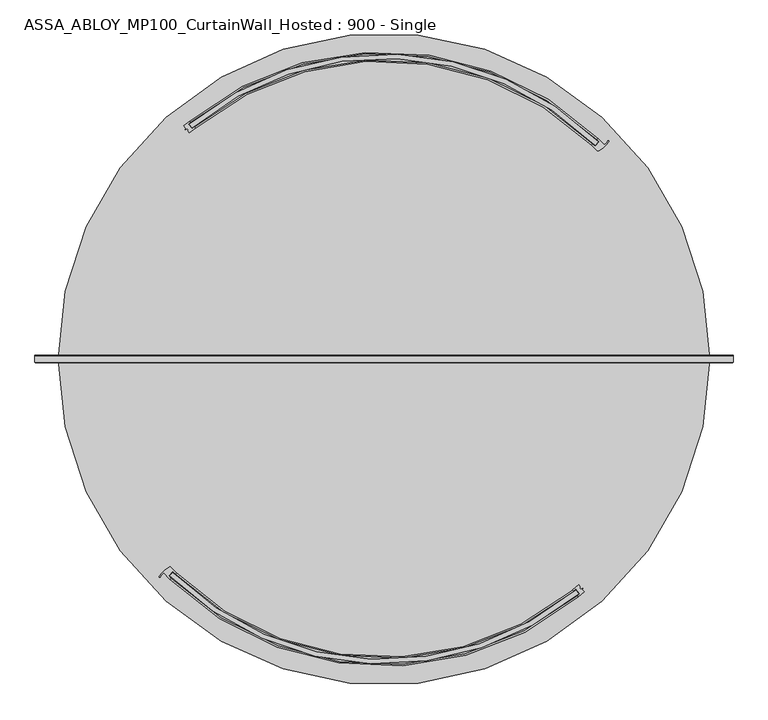
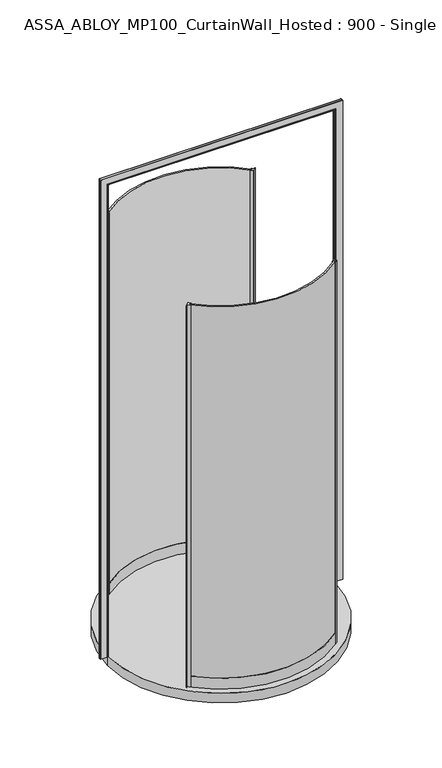
"""IFC4 building model written with IfcOpenShell, lengths in millimetres: plate geometry, ASSA_ABLOY_MP100_CurtainWall_Hosted : 900 - Single."""

from ifc_helpers import new_model, si_unit, point, frame, origin, origin_with_axes, origin_2d, place, context, project, spatial, polyline, circle_curve, ellipse_curve, trimmed, segment, composite_curve, outline, extrude, source, transform, mapped, element, save
from ifc_brep_helpers import plane_surface, cylinder_surface, revolved_surface, advanced_brep


def assa_abloy_mp100_curtainwall_hosted_900_single_26f36824(model_context):
    return source(origin(), model_context, "Body", "SolidModel", [
        extrude(outline(composite_curve([segment(trimmed(circle_curve(origin_2d(), 671.0), [point((-471.5418534, -477.3775031))], [point((428.3686486, -516.4700387))], True, "CARTESIAN"), True, "CONTINUOUS"), segment(polyline([(428.3686486, -516.4700387), (434.6971588, -524.2131056)]), True, "CONTINUOUS"), segment(trimmed(circle_curve(origin_2d(), 681.0), [point((434.6971588, -524.2131056))], [point((-478.5162849, -484.544286))], False, "CARTESIAN"), True, "CONTINUOUS"), segment(polyline([(-478.5162849, -484.544286), (-471.5418534, -477.3775031)]), True, "CONTINUOUS")], self_intersect=False)), origin_with_axes(), (0.0, 0.0, 1.0), 2600.0),
        extrude(outline(composite_curve([segment(polyline([(434.4935229, -504.7488272), (438.8082177, -510.0279483), (436.8725006, -511.6100353), (439.0874224, -514.3200393), (443.5990465, -512.2867933), (444.3004039, -513.1449189), (442.9171599, -515.0553265), (447.1542237, -520.2394643)]), True, "CONTINUOUS"), segment(trimmed(circle_curve(origin_2d(), 686.0), [point((447.1542237, -520.2394643))], [point((434.124669, -531.1607777))], False, "CARTESIAN"), True, "CONTINUOUS"), segment(polyline([(434.124669, -531.1607777), (432.2261646, -528.8379172)]), True, "CONTINUOUS"), segment(trimmed(circle_curve(origin_2d(), 683.0), [point((432.2261646, -528.8379172))], [point((437.6234714, -524.3802983))], True, "CARTESIAN"), True, "CONTINUOUS"), segment(polyline([(437.6234714, -524.3802983), (428.7633092, -513.5397012)]), True, "CONTINUOUS"), segment(trimmed(circle_curve(origin_2d(), 669.0), [point((428.7633092, -513.5397012))], [point((423.2578051, -518.0867016))], False, "CARTESIAN"), True, "CONTINUOUS"), segment(polyline([(423.2578051, -518.0867016), (421.4679731, -515.6750408)]), True, "CONTINUOUS"), segment(trimmed(circle_curve(origin_2d(), 666.0), [point((421.4679731, -515.6750408))], [point((434.4935229, -504.7488272))], True, "CARTESIAN"), True, "CONTINUOUS")], self_intersect=False)), origin_with_axes(), (0.0, 0.0, 1.0), 2600.0),
        advanced_brep(
        [(-471.5530855, -474.5488522, 0.0), (-481.2544185, -484.6448252, 0.0), (-476.2430103, -489.5324103, 0.0), (-478.3216313, -491.6955874, 0.0), (-492.1678743, -477.8294246, 0.0), (-499.3328125, -486.5213725, 0.0), (-501.9043625, -485.2054148, 0.0), (-480.0372297, -464.9193186, 0.0), (-476.3552254, -465.4179454, 0.0), (-464.4641583, -477.274407, 0.0), (-466.5427792, -479.4375841, 0.0), (-471.5530855, -474.5488522, 2600.0), (-466.5427792, -479.4375841, 2600.0), (-464.4641583, -477.274407, 2600.0), (-476.3552254, -465.4179454, 2600.0), (-480.0372297, -464.9193186, 2600.0), (-501.9043625, -485.2054148, 2600.0), (-499.3466185, -486.5141589, 2600.0), (-492.1678743, -477.8294246, 2600.0), (-478.3216313, -491.6955874, 2600.0), (-476.2430103, -489.5324103, 2600.0), (-481.2544185, -484.6448252, 2600.0)],
        [
            (0, 1),
            (1, 2, circle_curve(frame((-149.5530842, -149.5530842, 0.0), z_axis=(0.0, 0.0, 1.0), x_axis=(-0.7071067811865531, 0.7071067811865418, 0.0)), 471.5)),
            (2, 3),
            (3, 4, circle_curve(frame((-149.5530842, -149.5530842, 0.0), z_axis=(0.0, 0.0, -1.0), x_axis=(-0.7071067811865531, 0.7071067811865418, 0.0)), 474.5)),
            (4, 5, circle_curve(frame((-475.1496567, -499.1569371, 0.0), z_axis=(0.0, 0.0, 1.0), x_axis=(-0.7071067811865531, 0.7071067811865418, 0.0)), 27.285207)),
            (5, 6, circle_curve(frame((-500.6199062, -485.8488732, 0.0), z_axis=(0.0, 0.0, -1.0), x_axis=(-0.7071067811865531, 0.7071067811865418, 0.0)), 1.4366164)),
            (6, 7, circle_curve(frame((-444.4563576, -525.2019988, 0.0), z_axis=(0.0, 0.0, -1.0), x_axis=(-0.7071067811865531, 0.7071067811865418, 0.0)), 70.0)),
            (7, 8, circle_curve(frame((-478.5123352, -467.502862, 0.0), z_axis=(0.0, 0.0, -1.0), x_axis=(-0.7071067811865531, 0.7071067811865418, 0.0)), 3.0)),
            (8, 9, circle_curve(frame((-149.5530842, -149.5530842, 0.0), z_axis=(0.0, 0.0, 1.0), x_axis=(-0.7071067811865531, 0.7071067811865418, 0.0)), 454.5)),
            (9, 10),
            (10, 0, circle_curve(frame((-149.5530842, -149.5530842, 0.0), z_axis=(0.0, 0.0, -1.0), x_axis=(-0.7071067811865531, 0.7071067811865418, 0.0)), 457.5)),
            (11, 12, circle_curve(frame((-149.5530842, -149.5530842, 2600.0), z_axis=(0.0, 0.0, 1.0), x_axis=(-0.7071067811865531, 0.7071067811865418, 0.0)), 457.5)),
            (12, 13),
            (13, 14, circle_curve(frame((-149.5530842, -149.5530842, 2600.0), z_axis=(0.0, 0.0, -1.0), x_axis=(-0.7071067811865531, 0.7071067811865418, 0.0)), 454.5)),
            (14, 15, circle_curve(frame((-478.5123352, -467.502862, 2600.0), z_axis=(0.0, 0.0, 1.0), x_axis=(-0.7071067811865531, 0.7071067811865418, 0.0)), 3.0)),
            (15, 16, circle_curve(frame((-444.4563576, -525.2019988, 2600.0), z_axis=(0.0, 0.0, 1.0), x_axis=(-0.7071067811865531, 0.7071067811865418, 0.0)), 70.0)),
            (16, 17, circle_curve(frame((-500.6199062, -485.8488732, 2600.0), z_axis=(0.0, 0.0, 1.0), x_axis=(-0.7071067811865531, 0.7071067811865418, 0.0)), 1.4366164)),
            (17, 18, circle_curve(frame((-475.1496567, -499.1569371, 2600.0), z_axis=(0.0, 0.0, -1.0), x_axis=(-0.7071067811865531, 0.7071067811865418, 0.0)), 27.285207)),
            (18, 19, circle_curve(frame((-149.5530842, -149.5530842, 2600.0), z_axis=(0.0, 0.0, 1.0), x_axis=(-0.7071067811865531, 0.7071067811865418, 0.0)), 474.5)),
            (19, 20),
            (20, 21, circle_curve(frame((-149.5530842, -149.5530842, 2600.0), z_axis=(0.0, 0.0, -1.0), x_axis=(-0.7071067811865531, 0.7071067811865418, 0.0)), 471.5)),
            (21, 11),
            (0, 11),
            (21, 1),
            (20, 2),
            (19, 3),
            (18, 4),
            (8, 14),
            (13, 9),
            (12, 10),
            (17, 5),
            (16, 6),
            (15, 7),
        ],
        [
            plane_surface(frame((-470.9331163, -470.9331163, 0.0), z_axis=(0.0, 0.0, -1.0000000000000002), x_axis=(-0.7071067811865419, -0.7071067811865532, 0.0))),
            plane_surface(frame((-470.9331163, -470.9331163, 2600.0), z_axis=(0.0, 0.0, 1.0000000000000002), x_axis=(-0.7071067811865419, -0.7071067811865532, 0.0))),
            plane_surface(frame((-471.5530855, -474.5488522, 0.0), z_axis=(0.7210590160944299, -0.692873650320845, 0.0), x_axis=(0.0, 0.0, 1.0))),
            revolved_surface(polyline([(-482.9539315294598, 183.84776312945445, 2600.0), (-482.9539315294598, 183.84776312945445, 0.0)]), (-149.5530842, -149.5530842, 0.0), (0.0, 0.0, 1.0)),
            plane_surface(frame((-476.2430103, -489.5324103, 0.0), z_axis=(0.7210590160945624, -0.6928736503207072, 0.0), x_axis=(0.0, 0.0, 1.0))),
            cylinder_surface(frame((-149.5530842, -149.5530842, 0.0), z_axis=(0.0, 0.0, -1.0), x_axis=(-0.7071067811865531, 0.7071067811865418, 0.0)), 474.5),
            revolved_surface(polyline([(-470.9331162492884, 171.82694784928327, 2600.0), (-470.9331162492884, 171.82694784928327, 0.0)]), (-149.5530842, -149.5530842, 0.0), (0.0, 0.0, 1.0)),
            plane_surface(frame((-464.4641583, -477.274407, 0.0), z_axis=(0.7210590160946411, -0.6928736503206254, 0.0), x_axis=(0.0, 0.0, 1.0))),
            cylinder_surface(frame((-149.5530842, -149.5530842, 0.0), z_axis=(0.0, 0.0, -1.0), x_axis=(-0.7071067811865531, 0.7071067811865418, 0.0)), 457.5),
            revolved_surface(polyline([(-494.4432115957788, -479.86338220422147, 2600.0), (-494.4432115957788, -479.86338220422147, 0.0)]), (-475.1496567, -499.1569371, 0.0), (0.0, 0.0, 1.0)),
            cylinder_surface(frame((-500.6199062, -485.8488732, 0.0), z_axis=(0.0, 0.0, -1.0), x_axis=(-0.7071067811865531, 0.7071067811865418, 0.0)), 1.4366164),
            cylinder_surface(frame((-444.4563576, -525.2019988, 0.0), z_axis=(0.0, 0.0, -1.0), x_axis=(-0.7071067811865531, 0.7071067811865418, 0.0)), 70.0),
            cylinder_surface(frame((-478.5123352, -467.502862, 0.0), z_axis=(0.0, 0.0, -1.0), x_axis=(-0.7071067811865531, 0.7071067811865418, 0.0)), 3.0),
        ],
        [
            (0, [[1, 2, 3, 4, 5, 6, 7, 8, 9, 10, 11]]),
            (1, [[12, 13, 14, 15, 16, 17, 18, 19, 20, 21, 22]]),
            (2, [[-1, 23, -22, 24]]),
            (3, [[-2, -24, -21, 25]]),
            (4, [[-3, -25, -20, 26]]),
            (5, [[-4, -26, -19, 27]]),
            (6, [[-9, 28, -14, 29]]),
            (7, [[-10, -29, -13, 30]]),
            (8, [[-11, -30, -12, -23]]),
            (9, [[-5, -27, -18, 31]]),
            (10, [[-6, -31, -17, 32]]),
            (11, [[-7, -32, -16, 33]]),
            (12, [[-8, -33, -15, -28]]),
        ],
    ),
        advanced_brep(
        [(-464.4844321, -477.2946808, 73.0), (-464.4844321, -477.2946808, 0.0), (-466.5767043, -479.4446569, 0.0), (-466.5767043, -479.4446569, 24.0), (-476.3406413, -489.4778784, 24.0), (-476.3406413, -489.4778784, 0.0), (-478.4329135, -491.6278544, 0.0), (-478.4329135, -491.6278544, 73.0), (-476.3406413, -489.4778784, 73.0), (-476.3406413, -489.4778784, 39.0), (-466.5767043, -479.4446569, 39.0), (-466.5767043, -479.4446569, 73.0), (421.4679731, -515.6750408, 73.0), (423.3664774, -517.9979013, 73.0), (423.3664774, -517.9979013, 39.0), (432.2261646, -528.8379172, 39.0), (432.2261646, -528.8379172, 73.0), (434.124669, -531.1607777, 73.0), (434.124669, -531.1607777, 0.0), (432.2261646, -528.8379172, 0.0), (432.2261646, -528.8379172, 24.0), (423.3664774, -517.9979013, 24.0), (423.3664774, -517.9979013, 0.0), (421.4679731, -515.6750408, 0.0)],
        [
            (0, 1),
            (1, 2),
            (2, 3),
            (3, 4),
            (4, 5),
            (5, 6),
            (6, 7),
            (7, 8),
            (8, 9),
            (9, 10),
            (10, 11),
            (11, 0),
            (12, 13),
            (13, 14),
            (14, 15),
            (15, 16),
            (16, 17),
            (17, 18),
            (18, 19),
            (19, 20),
            (20, 21),
            (21, 22),
            (22, 23),
            (23, 12),
            (23, 1, circle_curve(frame((0.0, 0.0, 0.0), z_axis=(0.0, 0.0, -1.0), x_axis=(-0.6974240722019793, -0.7166586799259523, 0.0)), 666.0)),
            (0, 12, circle_curve(frame((0.0, 0.0, 73.0), z_axis=(0.0, 0.0, 1.0), x_axis=(-0.6974240722019793, -0.7166586799259523, 0.0)), 666.0)),
            (22, 2, circle_curve(frame((0.0, 0.0, 0.0), z_axis=(0.0, 0.0, -1.0), x_axis=(-0.6974240722019793, -0.7166586799259523, 0.0)), 669.0)),
            (21, 3, circle_curve(frame((0.0, 0.0, 24.0), z_axis=(0.0, 0.0, -1.0), x_axis=(-0.6974240722019793, -0.7166586799259523, 0.0)), 669.0)),
            (20, 4, circle_curve(frame((0.0, 0.0, 24.0), z_axis=(0.0, 0.0, -1.0), x_axis=(-0.6974240722019793, -0.7166586799259523, 0.0)), 683.0)),
            (19, 5, circle_curve(frame((0.0, 0.0, 0.0), z_axis=(0.0, 0.0, -1.0), x_axis=(-0.6974240722019793, -0.7166586799259523, 0.0)), 683.0)),
            (18, 6, circle_curve(frame((0.0, 0.0, 0.0), z_axis=(0.0, 0.0, -1.0), x_axis=(-0.6974240722019793, -0.7166586799259523, 0.0)), 686.0)),
            (17, 7, circle_curve(frame((0.0, 0.0, 73.0), z_axis=(0.0, 0.0, -1.0), x_axis=(-0.6974240722019793, -0.7166586799259523, 0.0)), 686.0)),
            (16, 8, circle_curve(frame((0.0, 0.0, 73.0), z_axis=(0.0, 0.0, -1.0), x_axis=(-0.6974240722019793, -0.7166586799259523, 0.0)), 683.0)),
            (15, 9, circle_curve(frame((0.0, 0.0, 39.0), z_axis=(0.0, 0.0, -1.0), x_axis=(-0.6974240722019793, -0.7166586799259523, 0.0)), 683.0)),
            (14, 10, circle_curve(frame((0.0, 0.0, 39.0), z_axis=(0.0, 0.0, -1.0), x_axis=(-0.6974240722019793, -0.7166586799259523, 0.0)), 669.0)),
            (13, 11, circle_curve(frame((0.0, 0.0, 73.0), z_axis=(0.0, 0.0, -1.0), x_axis=(-0.6974240722019793, -0.7166586799259523, 0.0)), 669.0)),
        ],
        [
            plane_surface(frame((-464.4844321, -477.2946808, 0.0), z_axis=(-0.7166586799259522, 0.6974240722019793, 0.0), x_axis=(0.0, 0.0, 1.0))),
            plane_surface(frame((421.4679731, -515.6750408, 0.0), z_axis=(0.774286848015381, 0.6328347943898206, 0.0), x_axis=(0.0, 0.0, 1.0))),
            revolved_surface(polyline([(-464.4844320865182, -477.29468083068423, 73.00000000000003), (-464.4844320865182, -477.29468083068423, 0.0)]), (0.0, 0.0, 0.0), (0.0, 0.0, 1.0000000000000002)),
            plane_surface(frame((0.0, 0.0, 0.0), z_axis=(0.0, 0.0, -1.0000000000000002), x_axis=(-0.6974240722019793, -0.7166586799259523, 0.0))),
            cylinder_surface(frame((0.0, 0.0, 0.0), z_axis=(0.0, 0.0, 1.0000000000000002), x_axis=(-0.6974240722019793, -0.7166586799259523, 0.0)), 669.0),
            plane_surface(frame((0.0, 0.0, 24.0), z_axis=(0.0, 0.0, -1.0000000000000002), x_axis=(-0.6974240722019793, -0.7166586799259523, 0.0))),
            revolved_surface(polyline([(-476.3406413139519, -489.4778783894254, 24.000000000000014), (-476.3406413139519, -489.4778783894254, 0.0)]), (0.0, 0.0, 0.0), (0.0, 0.0, 1.0000000000000002)),
            cylinder_surface(frame((0.0, 0.0, 0.0), z_axis=(0.0, 0.0, 1.0000000000000002), x_axis=(-0.6974240722019793, -0.7166586799259523, 0.0)), 686.0),
            plane_surface(frame((0.0, 0.0, 73.0), z_axis=(0.0, 0.0, 1.0000000000000002), x_axis=(-0.6974240722019793, -0.7166586799259523, 0.0))),
            revolved_surface(polyline([(-476.3406413139519, -489.4778783894254, 73.00000000000003), (-476.3406413139519, -489.4778783894254, 39.000000000000014)]), (0.0, 0.0, 0.0), (0.0, 0.0, 1.0000000000000002)),
            plane_surface(frame((0.0, 0.0, 39.0), z_axis=(0.0, 0.0, 1.0000000000000002), x_axis=(-0.6974240722019793, -0.7166586799259523, 0.0))),
        ],
        [
            (0, [[1, 2, 3, 4, 5, 6, 7, 8, 9, 10, 11, 12]]),
            (1, [[13, 14, 15, 16, 17, 18, 19, 20, 21, 22, 23, 24]]),
            (2, [[25, -1, 26, -24]]),
            (3, [[27, -2, -25, -23]]),
            (4, [[28, -3, -27, -22]]),
            (5, [[29, -4, -28, -21]]),
            (6, [[30, -5, -29, -20]]),
            (3, [[31, -6, -30, -19]]),
            (7, [[32, -7, -31, -18]]),
            (8, [[33, -8, -32, -17]]),
            (9, [[34, -9, -33, -16]]),
            (10, [[35, -10, -34, -15]]),
            (4, [[36, -11, -35, -14]]),
            (8, [[-26, -12, -36, -13]]),
        ],
    ),
        extrude(outline(composite_curve([segment(trimmed(circle_curve(origin_2d(), 671.0), [point((471.5418534, 477.3775031))], [point((-428.3686486, 516.4700387))], True, "CARTESIAN"), True, "CONTINUOUS"), segment(polyline([(-428.3686486, 516.4700387), (-434.6971588, 524.2131056)]), True, "CONTINUOUS"), segment(trimmed(circle_curve(origin_2d(), 681.0), [point((-434.6971588, 524.2131056))], [point((478.5162849, 484.544286))], False, "CARTESIAN"), True, "CONTINUOUS"), segment(polyline([(478.5162849, 484.544286), (471.5418534, 477.3775031)]), True, "CONTINUOUS")], self_intersect=False)), origin_with_axes(), (0.0, 0.0, 1.0), 2600.0),
        extrude(outline(composite_curve([segment(polyline([(-434.4935229, 504.7488272), (-438.8082177, 510.0279483), (-436.8725006, 511.6100353), (-439.0874224, 514.3200393), (-443.5990465, 512.2867933), (-444.3004039, 513.1449189), (-442.9171599, 515.0553265), (-447.1542237, 520.2394643)]), True, "CONTINUOUS"), segment(trimmed(circle_curve(origin_2d(), 686.0), [point((-447.1542237, 520.2394643))], [point((-434.124669, 531.1607777))], False, "CARTESIAN"), True, "CONTINUOUS"), segment(polyline([(-434.124669, 531.1607777), (-432.2261646, 528.8379172)]), True, "CONTINUOUS"), segment(trimmed(circle_curve(origin_2d(), 683.0), [point((-432.2261646, 528.8379172))], [point((-437.6234714, 524.3802983))], True, "CARTESIAN"), True, "CONTINUOUS"), segment(polyline([(-437.6234714, 524.3802983), (-428.7633092, 513.5397012)]), True, "CONTINUOUS"), segment(trimmed(circle_curve(origin_2d(), 669.0), [point((-428.7633092, 513.5397012))], [point((-423.2578051, 518.0867016))], False, "CARTESIAN"), True, "CONTINUOUS"), segment(polyline([(-423.2578051, 518.0867016), (-421.4679731, 515.6750408)]), True, "CONTINUOUS"), segment(trimmed(circle_curve(origin_2d(), 666.0), [point((-421.4679731, 515.6750408))], [point((-434.4935229, 504.7488272))], True, "CARTESIAN"), True, "CONTINUOUS")], self_intersect=False)), origin_with_axes(), (0.0, 0.0, 1.0), 2600.0),
        advanced_brep(
        [(471.5530855, 474.5488522, 0.0), (481.2544185, 484.6448252, 0.0), (476.2430103, 489.5324103, 0.0), (478.3216313, 491.6955874, 0.0), (492.1678743, 477.8294246, 0.0), (499.3328125, 486.5213725, 0.0), (501.9043625, 485.2054148, 0.0), (480.0372297, 464.9193186, 0.0), (476.3552254, 465.4179454, 0.0), (464.4641583, 477.274407, 0.0), (466.5427792, 479.4375841, 0.0), (471.5530855, 474.5488522, 2600.0), (466.5427792, 479.4375841, 2600.0), (464.4641583, 477.274407, 2600.0), (476.3552254, 465.4179454, 2600.0), (480.0372297, 464.9193186, 2600.0), (501.9043625, 485.2054148, 2600.0), (499.3466185, 486.5141589, 2600.0), (492.1678743, 477.8294246, 2600.0), (478.3216313, 491.6955874, 2600.0), (476.2430103, 489.5324103, 2600.0), (481.2544185, 484.6448252, 2600.0)],
        [
            (0, 1),
            (1, 2, circle_curve(frame((149.5530842, 149.5530842, 0.0), z_axis=(0.0, 0.0, 1.0), x_axis=(0.7071067811865526, -0.7071067811865416, 0.0)), 471.5)),
            (2, 3),
            (3, 4, circle_curve(frame((149.5530842, 149.5530842, 0.0), z_axis=(0.0, 0.0, -1.0), x_axis=(0.7071067811865526, -0.7071067811865416, 0.0)), 474.5)),
            (4, 5, circle_curve(frame((475.1496567, 499.1569371, 0.0), z_axis=(0.0, 0.0, 1.0), x_axis=(0.7071067811865526, -0.7071067811865416, 0.0)), 27.285207)),
            (5, 6, circle_curve(frame((500.6199062, 485.8488732, 0.0), z_axis=(0.0, 0.0, -1.0), x_axis=(0.7071067811865526, -0.7071067811865416, 0.0)), 1.4366164)),
            (6, 7, circle_curve(frame((444.4563576, 525.2019988, 0.0), z_axis=(0.0, 0.0, -1.0), x_axis=(0.7071067811865526, -0.7071067811865416, 0.0)), 70.0)),
            (7, 8, circle_curve(frame((478.5123352, 467.502862, 0.0), z_axis=(0.0, 0.0, -1.0), x_axis=(0.7071067811865526, -0.7071067811865416, 0.0)), 3.0)),
            (8, 9, circle_curve(frame((149.5530842, 149.5530842, 0.0), z_axis=(0.0, 0.0, 1.0), x_axis=(0.7071067811865526, -0.7071067811865416, 0.0)), 454.5)),
            (9, 10),
            (10, 0, circle_curve(frame((149.5530842, 149.5530842, 0.0), z_axis=(0.0, 0.0, -1.0), x_axis=(0.7071067811865526, -0.7071067811865416, 0.0)), 457.5)),
            (11, 12, circle_curve(frame((149.5530842, 149.5530842, 2600.0), z_axis=(0.0, 0.0, 1.0), x_axis=(0.7071067811865526, -0.7071067811865416, 0.0)), 457.5)),
            (12, 13),
            (13, 14, circle_curve(frame((149.5530842, 149.5530842, 2600.0), z_axis=(0.0, 0.0, -1.0), x_axis=(0.7071067811865526, -0.7071067811865416, 0.0)), 454.5)),
            (14, 15, circle_curve(frame((478.5123352, 467.502862, 2600.0), z_axis=(0.0, 0.0, 1.0), x_axis=(0.7071067811865526, -0.7071067811865416, 0.0)), 3.0)),
            (15, 16, circle_curve(frame((444.4563576, 525.2019988, 2600.0), z_axis=(0.0, 0.0, 1.0), x_axis=(0.7071067811865526, -0.7071067811865416, 0.0)), 70.0)),
            (16, 17, circle_curve(frame((500.6199062, 485.8488732, 2600.0), z_axis=(0.0, 0.0, 1.0), x_axis=(0.7071067811865526, -0.7071067811865416, 0.0)), 1.4366164)),
            (17, 18, circle_curve(frame((475.1496567, 499.1569371, 2600.0), z_axis=(0.0, 0.0, -1.0), x_axis=(0.7071067811865526, -0.7071067811865416, 0.0)), 27.285207)),
            (18, 19, circle_curve(frame((149.5530842, 149.5530842, 2600.0), z_axis=(0.0, 0.0, 1.0), x_axis=(0.7071067811865526, -0.7071067811865416, 0.0)), 474.5)),
            (19, 20),
            (20, 21, circle_curve(frame((149.5530842, 149.5530842, 2600.0), z_axis=(0.0, 0.0, -1.0), x_axis=(0.7071067811865526, -0.7071067811865416, 0.0)), 471.5)),
            (21, 11),
            (0, 11),
            (21, 1),
            (20, 2),
            (19, 3),
            (18, 4),
            (8, 14),
            (13, 9),
            (12, 10),
            (17, 5),
            (16, 6),
            (15, 7),
        ],
        [
            plane_surface(frame((470.9331163, 470.9331163, 0.0), z_axis=(0.0, 0.0, -1.0), x_axis=(0.707106781186542, 0.707106781186553, 0.0))),
            plane_surface(frame((470.9331163, 470.9331163, 2600.0), z_axis=(0.0, 0.0, 1.0), x_axis=(0.707106781186542, 0.707106781186553, 0.0))),
            plane_surface(frame((471.5530855, 474.5488522, 0.0), z_axis=(-0.7210590160944298, 0.6928736503208452, 0.0), x_axis=(0.0, 0.0, 1.0))),
            revolved_surface(polyline([(482.9539315294595, -183.84776312945434, 2600.0), (482.9539315294595, -183.84776312945434, 0.0)]), (149.5530842, 149.5530842, 0.0), (0.0, 0.0, 1.0)),
            plane_surface(frame((476.2430103, 489.5324103, 0.0), z_axis=(-0.7210590160945622, 0.6928736503207075, 0.0), x_axis=(0.0, 0.0, 1.0))),
            cylinder_surface(frame((149.5530842, 149.5530842, 0.0), z_axis=(0.0, 0.0, -1.0), x_axis=(0.7071067811865526, -0.7071067811865416, 0.0)), 474.5),
            revolved_surface(polyline([(470.93311624928816, -171.82694784928316, 2600.0), (470.93311624928816, -171.82694784928316, 0.0)]), (149.5530842, 149.5530842, 0.0), (0.0, 0.0, 1.0)),
            plane_surface(frame((464.4641583, 477.274407, 0.0), z_axis=(-0.7210590160946408, 0.6928736503206255, 0.0), x_axis=(0.0, 0.0, 1.0))),
            cylinder_surface(frame((149.5530842, 149.5530842, 0.0), z_axis=(0.0, 0.0, -1.0), x_axis=(0.7071067811865526, -0.7071067811865416, 0.0)), 457.5),
            revolved_surface(polyline([(494.4432115957788, 479.8633822042215, 2600.0), (494.4432115957788, 479.8633822042215, 0.0)]), (475.1496567, 499.1569371, 0.0), (0.0, 0.0, 1.0)),
            cylinder_surface(frame((500.6199062, 485.8488732, 0.0), z_axis=(0.0, 0.0, -1.0), x_axis=(0.7071067811865526, -0.7071067811865416, 0.0)), 1.4366164),
            cylinder_surface(frame((444.4563576, 525.2019988, 0.0), z_axis=(0.0, 0.0, -1.0), x_axis=(0.7071067811865526, -0.7071067811865416, 0.0)), 70.0),
            cylinder_surface(frame((478.5123352, 467.502862, 0.0), z_axis=(0.0, 0.0, -1.0), x_axis=(0.7071067811865526, -0.7071067811865416, 0.0)), 3.0),
        ],
        [
            (0, [[1, 2, 3, 4, 5, 6, 7, 8, 9, 10, 11]]),
            (1, [[12, 13, 14, 15, 16, 17, 18, 19, 20, 21, 22]]),
            (2, [[-1, 23, -22, 24]]),
            (3, [[-2, -24, -21, 25]]),
            (4, [[-3, -25, -20, 26]]),
            (5, [[-4, -26, -19, 27]]),
            (6, [[-9, 28, -14, 29]]),
            (7, [[-10, -29, -13, 30]]),
            (8, [[-11, -30, -12, -23]]),
            (9, [[-5, -27, -18, 31]]),
            (10, [[-6, -31, -17, 32]]),
            (11, [[-7, -32, -16, 33]]),
            (12, [[-8, -33, -15, -28]]),
        ],
    ),
        advanced_brep(
        [(464.4844321, 477.2946808, 73.0), (464.4844321, 477.2946808, 0.0), (466.5767043, 479.4446569, 0.0), (466.5767043, 479.4446569, 24.0), (476.3406413, 489.4778784, 24.0), (476.3406413, 489.4778784, 0.0), (478.4329135, 491.6278544, 0.0), (478.4329135, 491.6278544, 73.0), (476.3406413, 489.4778784, 73.0), (476.3406413, 489.4778784, 39.0), (466.5767043, 479.4446569, 39.0), (466.5767043, 479.4446569, 73.0), (-421.4679731, 515.6750408, 73.0), (-423.3664774, 517.9979013, 73.0), (-423.3664774, 517.9979013, 39.0), (-432.2261646, 528.8379172, 39.0), (-432.2261646, 528.8379172, 73.0), (-434.124669, 531.1607777, 73.0), (-434.124669, 531.1607777, 0.0), (-432.2261646, 528.8379172, 0.0), (-432.2261646, 528.8379172, 24.0), (-423.3664774, 517.9979013, 24.0), (-423.3664774, 517.9979013, 0.0), (-421.4679731, 515.6750408, 0.0)],
        [
            (0, 1),
            (1, 2),
            (2, 3),
            (3, 4),
            (4, 5),
            (5, 6),
            (6, 7),
            (7, 8),
            (8, 9),
            (9, 10),
            (10, 11),
            (11, 0),
            (12, 13),
            (13, 14),
            (14, 15),
            (15, 16),
            (16, 17),
            (17, 18),
            (18, 19),
            (19, 20),
            (20, 21),
            (21, 22),
            (22, 23),
            (23, 12),
            (23, 1, circle_curve(frame((0.0, 0.0, 0.0), z_axis=(0.0, 0.0, -1.0), x_axis=(0.6974240722019791, 0.7166586799259518, 0.0)), 666.0)),
            (0, 12, circle_curve(frame((0.0, 0.0, 73.0), z_axis=(0.0, 0.0, 1.0), x_axis=(0.6974240722019791, 0.7166586799259518, 0.0)), 666.0)),
            (22, 2, circle_curve(frame((0.0, 0.0, 0.0), z_axis=(0.0, 0.0, -1.0), x_axis=(0.6974240722019791, 0.7166586799259518, 0.0)), 669.0)),
            (21, 3, circle_curve(frame((0.0, 0.0, 24.0), z_axis=(0.0, 0.0, -1.0), x_axis=(0.6974240722019791, 0.7166586799259518, 0.0)), 669.0)),
            (20, 4, circle_curve(frame((0.0, 0.0, 24.0), z_axis=(0.0, 0.0, -1.0), x_axis=(0.6974240722019791, 0.7166586799259518, 0.0)), 683.0)),
            (19, 5, circle_curve(frame((0.0, 0.0, 0.0), z_axis=(0.0, 0.0, -1.0), x_axis=(0.6974240722019791, 0.7166586799259518, 0.0)), 683.0)),
            (18, 6, circle_curve(frame((0.0, 0.0, 0.0), z_axis=(0.0, 0.0, -1.0), x_axis=(0.6974240722019791, 0.7166586799259518, 0.0)), 686.0)),
            (17, 7, circle_curve(frame((0.0, 0.0, 73.0), z_axis=(0.0, 0.0, -1.0), x_axis=(0.6974240722019791, 0.7166586799259518, 0.0)), 686.0)),
            (16, 8, circle_curve(frame((0.0, 0.0, 73.0), z_axis=(0.0, 0.0, -1.0), x_axis=(0.6974240722019791, 0.7166586799259518, 0.0)), 683.0)),
            (15, 9, circle_curve(frame((0.0, 0.0, 39.0), z_axis=(0.0, 0.0, -1.0), x_axis=(0.6974240722019791, 0.7166586799259518, 0.0)), 683.0)),
            (14, 10, circle_curve(frame((0.0, 0.0, 39.0), z_axis=(0.0, 0.0, -1.0), x_axis=(0.6974240722019791, 0.7166586799259518, 0.0)), 669.0)),
            (13, 11, circle_curve(frame((0.0, 0.0, 73.0), z_axis=(0.0, 0.0, -1.0), x_axis=(0.6974240722019791, 0.7166586799259518, 0.0)), 669.0)),
        ],
        [
            plane_surface(frame((464.4844321, 477.2946808, 0.0), z_axis=(0.7166586799259521, -0.6974240722019794, 0.0), x_axis=(0.0, 0.0, 1.0))),
            plane_surface(frame((-421.4679731, 515.6750408, 0.0), z_axis=(-0.7742868480153811, -0.6328347943898204, 0.0), x_axis=(0.0, 0.0, 1.0))),
            revolved_surface(polyline([(464.4844320865181, 477.2946808306839, 73.00000000000003), (464.4844320865181, 477.2946808306839, 0.0)]), (0.0, 0.0, 0.0), (0.0, 0.0, 1.0000000000000002)),
            plane_surface(frame((0.0, 0.0, 0.0), z_axis=(0.0, 0.0, -1.0), x_axis=(0.6974240722019794, 0.7166586799259521, 0.0))),
            cylinder_surface(frame((0.0, 0.0, 0.0), z_axis=(0.0, 0.0, 1.0000000000000002), x_axis=(0.6974240722019791, 0.7166586799259518, 0.0)), 669.0),
            plane_surface(frame((0.0, 0.0, 24.0), z_axis=(0.0, 0.0, -1.0), x_axis=(0.6974240722019794, 0.7166586799259521, 0.0))),
            revolved_surface(polyline([(476.3406413139517, 489.4778783894251, 24.000000000000014), (476.3406413139517, 489.4778783894251, 0.0)]), (0.0, 0.0, 0.0), (0.0, 0.0, 1.0000000000000002)),
            cylinder_surface(frame((0.0, 0.0, 0.0), z_axis=(0.0, 0.0, 1.0000000000000002), x_axis=(0.6974240722019791, 0.7166586799259518, 0.0)), 686.0),
            plane_surface(frame((0.0, 0.0, 73.0), z_axis=(0.0, 0.0, 1.0), x_axis=(0.6974240722019794, 0.7166586799259521, 0.0))),
            revolved_surface(polyline([(476.3406413139517, 489.4778783894251, 73.00000000000003), (476.3406413139517, 489.4778783894251, 39.000000000000014)]), (0.0, 0.0, 0.0), (0.0, 0.0, 1.0000000000000002)),
            plane_surface(frame((0.0, 0.0, 39.0), z_axis=(0.0, 0.0, 1.0), x_axis=(0.6974240722019794, 0.7166586799259521, 0.0))),
        ],
        [
            (0, [[1, 2, 3, 4, 5, 6, 7, 8, 9, 10, 11, 12]]),
            (1, [[13, 14, 15, 16, 17, 18, 19, 20, 21, 22, 23, 24]]),
            (2, [[25, -1, 26, -24]]),
            (3, [[27, -2, -25, -23]]),
            (4, [[28, -3, -27, -22]]),
            (5, [[29, -4, -28, -21]]),
            (6, [[30, -5, -29, -20]]),
            (3, [[31, -6, -30, -19]]),
            (7, [[32, -7, -31, -18]]),
            (8, [[33, -8, -32, -17]]),
            (9, [[34, -9, -33, -16]]),
            (10, [[35, -10, -34, -15]]),
            (4, [[36, -11, -35, -14]]),
            (8, [[-26, -12, -36, -13]]),
        ],
    ),
        extrude(outline(composite_curve([segment(trimmed(circle_curve(origin_2d(), 727.5), [point((-727.5, 0.0))], [point((727.5, 0.0))], False, "CARTESIAN"), True, "CONTINUOUS"), segment(trimmed(circle_curve(origin_2d(), 727.5), [point((727.5, 0.0))], [point((-727.5, 0.0))], False, "CARTESIAN"), True, "CONTINUOUS")], self_intersect=False)), frame((0.0, 0.0, -65.0), z_axis=(0.0, 0.0, 1.0), x_axis=(1.0, 0.0, 0.0)), (0.0, 0.0, 1.0), 65.0),
        advanced_brep(
        [(728.4, 6.0, 0.0), (730.6980762, 6.0, 0.0), (731.5980762, 5.1, 0.0), (731.5980762, -5.1, 0.0), (730.6980762, -6.0, 0.0), (728.4, -6.0, 0.0), (727.5, -5.1, 0.0), (727.5, 5.1, 0.0), (-728.4, 6.0, 0.0), (-727.5, 5.1, 0.0), (-727.5, -5.1, 0.0), (-728.4, -6.0, 0.0), (-730.6980762, -6.0, 0.0), (-731.5980762, -5.1, 0.0), (-731.5980762, 5.1, 0.0), (-730.6980762, 6.0, 0.0), (728.4, 6.0, 3211.8), (-728.4, 6.0, 3211.8), (-730.6980762, 6.0, 3214.0980762), (730.6980762, 6.0, 3214.0980762), (731.5980762, 5.1, 3214.9980762), (731.5980762, -5.1, 3214.9980762), (730.6980762, -6.0, 3214.0980762), (-730.6980762, -6.0, 3214.0980762), (-728.4, -6.0, 3211.8), (728.4, -6.0, 3211.8), (727.5, -5.1, 3210.9), (727.5, 5.1, 3210.9), (-731.5980762, 5.1, 3214.9980762), (-731.5980762, -5.1, 3214.9980762), (-727.5, -5.1, 3210.9), (-727.5, 5.1, 3210.9)],
        [
            (0, 1),
            (1, 2, circle_curve(frame((730.6980762, 5.1, 0.0), z_axis=(0.0, 0.0, -1.0), x_axis=(-1.0, 0.0, 0.0)), 0.9)),
            (2, 3),
            (3, 4, circle_curve(frame((730.6980762, -5.1, 0.0), z_axis=(0.0, 0.0, -1.0), x_axis=(-1.0, 0.0, 0.0)), 0.9)),
            (4, 5),
            (5, 6, circle_curve(frame((728.4, -5.1, 0.0), z_axis=(0.0, 0.0, -1.0), x_axis=(-1.0, 0.0, 0.0)), 0.9)),
            (6, 7),
            (7, 0, circle_curve(frame((728.4, 5.1, 0.0), z_axis=(0.0, 0.0, -1.0), x_axis=(-1.0, 0.0, 0.0)), 0.9)),
            (8, 9, circle_curve(frame((-728.4, 5.1, 0.0), z_axis=(0.0, 0.0, -1.0), x_axis=(1.0, 0.0, 0.0)), 0.9)),
            (9, 10),
            (10, 11, circle_curve(frame((-728.4, -5.1, 0.0), z_axis=(0.0, 0.0, -1.0), x_axis=(1.0, 0.0, 0.0)), 0.9)),
            (11, 12),
            (12, 13, circle_curve(frame((-730.6980762, -5.1, 0.0), z_axis=(0.0, 0.0, -1.0), x_axis=(1.0, 0.0, 0.0)), 0.9)),
            (13, 14),
            (14, 15, circle_curve(frame((-730.6980762, 5.1, 0.0), z_axis=(0.0, 0.0, -1.0), x_axis=(1.0, 0.0, 0.0)), 0.9)),
            (15, 8),
            (0, 16),
            (16, 17),
            (17, 8),
            (15, 18),
            (18, 19),
            (19, 1),
            (19, 20, ellipse_curve(frame((730.6980762, 5.1, 3214.0980762), z_axis=(0.7071067811865475, 0.0, -0.7071067811865475), x_axis=(-0.7071067811865474, 0.0, -0.7071067811865476)), 1.2727922, 0.9)),
            (20, 2),
            (20, 21),
            (21, 3),
            (21, 22, ellipse_curve(frame((730.6980762, -5.1, 3214.0980762), z_axis=(0.7071067811865475, 0.0, -0.7071067811865475), x_axis=(-0.7071067811865474, 0.0, -0.7071067811865476)), 1.2727922, 0.9)),
            (22, 4),
            (22, 23),
            (23, 12),
            (11, 24),
            (24, 25),
            (25, 5),
            (25, 26, ellipse_curve(frame((728.4, -5.1, 3211.8), z_axis=(0.7071067811865475, 0.0, -0.7071067811865475), x_axis=(-0.7071067811865474, 0.0, -0.7071067811865476)), 1.2727922, 0.9)),
            (26, 6),
            (26, 27),
            (27, 7),
            (27, 16, ellipse_curve(frame((728.4, 5.1, 3211.8), z_axis=(0.7071067811865475, 0.0, -0.7071067811865475), x_axis=(-0.7071067811865474, 0.0, -0.7071067811865476)), 1.2727922, 0.9)),
            (18, 28, ellipse_curve(frame((-730.6980762, 5.1, 3214.0980762), z_axis=(0.7071067811865475, 0.0, 0.7071067811865475), x_axis=(0.7071067811865476, 0.0, -0.7071067811865474)), 1.2727922, 0.9)),
            (28, 20),
            (28, 29),
            (29, 21),
            (29, 23, ellipse_curve(frame((-730.6980762, -5.1, 3214.0980762), z_axis=(0.7071067811865475, 0.0, 0.7071067811865475), x_axis=(0.7071067811865476, 0.0, -0.7071067811865474)), 1.2727922, 0.9)),
            (24, 30, ellipse_curve(frame((-728.4, -5.1, 3211.8), z_axis=(0.7071067811865475, 0.0, 0.7071067811865475), x_axis=(0.7071067811865476, 0.0, -0.7071067811865474)), 1.2727922, 0.9)),
            (30, 26),
            (30, 31),
            (31, 27),
            (31, 17, ellipse_curve(frame((-728.4, 5.1, 3211.8), z_axis=(0.7071067811865475, 0.0, 0.7071067811865475), x_axis=(0.7071067811865476, 0.0, -0.7071067811865474)), 1.2727922, 0.9)),
            (14, 28),
            (13, 29),
            (10, 30),
            (9, 31),
        ],
        [
            plane_surface(frame((731.6, 0.0, 0.0), z_axis=(0.0, 0.0, -1.0), x_axis=(0.0, -1.0, 0.0))),
            plane_surface(frame((-731.6, 0.0, 0.0), z_axis=(0.0, 0.0, -1.0), x_axis=(0.0, -1.0, 0.0))),
            plane_surface(frame((728.4, 6.0, 0.0), z_axis=(0.0, 1.0, 0.0), x_axis=(0.0, 0.0, 1.0))),
            cylinder_surface(frame((730.6980762, 5.1, 0.0), z_axis=(0.0, 0.0, -1.0), x_axis=(-1.0, 0.0, 0.0)), 0.9),
            plane_surface(frame((731.5980762, 5.1, 0.0), z_axis=(1.0, 0.0, 0.0), x_axis=(0.0, 0.0, 1.0))),
            cylinder_surface(frame((730.6980762, -5.1, 0.0), z_axis=(0.0, 0.0, -1.0), x_axis=(-1.0, 0.0, 0.0)), 0.9),
            plane_surface(frame((730.6980762, -6.0, 0.0), z_axis=(0.0, -1.0, 0.0), x_axis=(0.0, 0.0, 1.0))),
            cylinder_surface(frame((728.4, -5.1, 0.0), z_axis=(0.0, 0.0, -1.0), x_axis=(-1.0, 0.0, 0.0)), 0.9),
            plane_surface(frame((727.5, -5.1, 0.0), z_axis=(-1.0, 0.0, 0.0), x_axis=(0.0, 0.0, 1.0))),
            cylinder_surface(frame((728.4, 5.1, 0.0), z_axis=(0.0, 0.0, -1.0), x_axis=(-1.0, 0.0, 0.0)), 0.9),
            cylinder_surface(frame((731.6, 5.1, 3214.0980762), z_axis=(1.0, 0.0, 0.0), x_axis=(0.0, 0.0, -1.0)), 0.9),
            plane_surface(frame((731.5980762, 5.1, 3214.9980762), z_axis=(0.0, 0.0, 1.0), x_axis=(-1.0, 0.0, 0.0))),
            cylinder_surface(frame((731.6, -5.1, 3214.0980762), z_axis=(1.0, 0.0, 0.0), x_axis=(0.0, 0.0, -1.0)), 0.9),
            cylinder_surface(frame((731.6, -5.1, 3211.8), z_axis=(1.0, 0.0, 0.0), x_axis=(0.0, 0.0, -1.0)), 0.9),
            plane_surface(frame((727.5, -5.1, 3210.9), z_axis=(0.0, 0.0, -1.0), x_axis=(-1.0, 0.0, 0.0))),
            cylinder_surface(frame((731.6, 5.1, 3211.8), z_axis=(1.0, 0.0, 0.0), x_axis=(0.0, 0.0, -1.0)), 0.9),
            cylinder_surface(frame((-730.6980762, 5.1, 3215.0), z_axis=(0.0, 0.0, 1.0), x_axis=(1.0, 0.0, 0.0)), 0.9),
            plane_surface(frame((-731.5980762, 5.1, 3214.9980762), z_axis=(-1.0, 0.0, 0.0), x_axis=(0.0, 0.0, -1.0))),
            cylinder_surface(frame((-730.6980762, -5.1, 3215.0), z_axis=(0.0, 0.0, 1.0), x_axis=(1.0, 0.0, 0.0)), 0.9),
            cylinder_surface(frame((-728.4, -5.1, 3215.0), z_axis=(0.0, 0.0, 1.0), x_axis=(1.0, 0.0, 0.0)), 0.9),
            plane_surface(frame((-727.5, -5.1, 3210.9), z_axis=(1.0, 0.0, 0.0), x_axis=(0.0, 0.0, -1.0))),
            cylinder_surface(frame((-728.4, 5.1, 3215.0), z_axis=(0.0, 0.0, 1.0), x_axis=(1.0, 0.0, 0.0)), 0.9),
        ],
        [
            (0, [[1, 2, 3, 4, 5, 6, 7, 8]]),
            (1, [[9, 10, 11, 12, 13, 14, 15, 16]]),
            (2, [[-1, 17, 18, 19, -16, 20, 21, 22]]),
            (3, [[-2, -22, 23, 24]]),
            (4, [[-3, -24, 25, 26]]),
            (5, [[-4, -26, 27, 28]]),
            (6, [[-5, -28, 29, 30, -12, 31, 32, 33]]),
            (7, [[-6, -33, 34, 35]]),
            (8, [[-7, -35, 36, 37]]),
            (9, [[-8, -37, 38, -17]]),
            (10, [[-23, -21, 39, 40]]),
            (11, [[-25, -40, 41, 42]]),
            (12, [[-27, -42, 43, -29]]),
            (13, [[-34, -32, 44, 45]]),
            (14, [[-36, -45, 46, 47]]),
            (15, [[-38, -47, 48, -18]]),
            (16, [[-39, -20, -15, 49]]),
            (17, [[-41, -49, -14, 50]]),
            (18, [[-43, -50, -13, -30]]),
            (19, [[-44, -31, -11, 51]]),
            (20, [[-46, -51, -10, 52]]),
            (21, [[-48, -52, -9, -19]]),
        ],
    ),
        advanced_brep(
        [(778.9209519, 8.5, 0.0), (779.5980762, 7.0, 0.0), (779.5980762, -7.0, 0.0), (778.9209519, -8.5, 0.0), (739.5980762, -8.5, 0.0), (739.5980762, 8.5, 0.0), (-778.9209519, 8.5, 0.0), (-739.5980762, 8.5, 0.0), (-739.5980762, -8.5, 0.0), (-778.9209519, -8.5, 0.0), (-779.5980762, -7.0, 0.0), (-779.5980762, 7.0, 0.0), (778.9209519, 8.5, 3262.3209519), (779.5980762, 7.0, 3262.9980762), (779.5980762, -7.0, 3262.9980762), (778.9209519, -8.5, 3262.3209519), (-778.9209519, -8.5, 3262.3209519), (-739.5980762, -8.5, 3222.9980762), (739.5980762, -8.5, 3222.9980762), (739.5980762, 8.5, 3222.9980762), (-739.5980762, 8.5, 3222.9980762), (-778.9209519, 8.5, 3262.3209519), (-779.5980762, 7.0, 3262.9980762), (-779.5980762, -7.0, 3262.9980762)],
        [
            (0, 1, circle_curve(frame((777.5980762, 7.0, 0.0), z_axis=(0.0, 0.0, -1.0), x_axis=(-1.0, 0.0, 0.0)), 2.0)),
            (1, 2),
            (2, 3, circle_curve(frame((777.5980762, -7.0, 0.0), z_axis=(0.0, 0.0, -1.0), x_axis=(-1.0, 0.0, 0.0)), 2.0)),
            (3, 4),
            (4, 5),
            (5, 0),
            (6, 7),
            (7, 8),
            (8, 9),
            (9, 10, circle_curve(frame((-777.5980762, -7.0, 0.0), z_axis=(0.0, 0.0, -1.0), x_axis=(1.0, 0.0, 0.0)), 2.0)),
            (10, 11),
            (11, 6, circle_curve(frame((-777.5980762, 7.0, 0.0), z_axis=(0.0, 0.0, -1.0), x_axis=(1.0, 0.0, 0.0)), 2.0)),
            (0, 12),
            (12, 13, ellipse_curve(frame((777.5980762, 7.0, 3260.9980762), z_axis=(0.7071067811865475, 0.0, -0.7071067811865475), x_axis=(-0.7071067811865474, 0.0, -0.7071067811865476)), 2.8284271, 2.0)),
            (13, 1),
            (13, 14),
            (14, 2),
            (14, 15, ellipse_curve(frame((777.5980762, -7.0, 3260.9980762), z_axis=(0.7071067811865475, 0.0, -0.7071067811865475), x_axis=(-0.7071067811865474, 0.0, -0.7071067811865476)), 2.8284271, 2.0)),
            (15, 3),
            (15, 16),
            (16, 9),
            (8, 17),
            (17, 18),
            (18, 4),
            (18, 19),
            (19, 5),
            (19, 20),
            (20, 7),
            (6, 21),
            (21, 12),
            (21, 22, ellipse_curve(frame((-777.5980762, 7.0, 3260.9980762), z_axis=(0.7071067811865475, 0.0, 0.7071067811865475), x_axis=(0.7071067811865476, 0.0, -0.7071067811865474)), 2.8284271, 2.0)),
            (22, 13),
            (22, 23),
            (23, 14),
            (23, 16, ellipse_curve(frame((-777.5980762, -7.0, 3260.9980762), z_axis=(0.7071067811865475, 0.0, 0.7071067811865475), x_axis=(0.7071067811865476, 0.0, -0.7071067811865474)), 2.8284271, 2.0)),
            (17, 20),
            (11, 22),
            (10, 23),
        ],
        [
            plane_surface(frame((731.6, 0.0, 0.0), z_axis=(0.0, 0.0, -1.0), x_axis=(0.0, -1.0, 0.0))),
            plane_surface(frame((-731.6, 0.0, 0.0), z_axis=(0.0, 0.0, -1.0), x_axis=(0.0, -1.0, 0.0))),
            cylinder_surface(frame((777.5980762, 7.0, 0.0), z_axis=(0.0, 0.0, -1.0), x_axis=(-1.0, 0.0, 0.0)), 2.0),
            plane_surface(frame((779.5980762, 7.0, 0.0), z_axis=(1.0, 0.0, 0.0), x_axis=(0.0, 0.0, 1.0))),
            cylinder_surface(frame((777.5980762, -7.0, 0.0), z_axis=(0.0, 0.0, -1.0), x_axis=(-1.0, 0.0, 0.0)), 2.0),
            plane_surface(frame((778.9209519, -8.5, 0.0), z_axis=(0.0, -1.0, 0.0), x_axis=(0.0, 0.0, 1.0))),
            plane_surface(frame((739.5980762, -8.5, 0.0), z_axis=(-1.0, 0.0, 0.0), x_axis=(0.0, 0.0, 1.0))),
            plane_surface(frame((739.5980762, 8.5, 0.0), z_axis=(0.0, 1.0, 0.0), x_axis=(0.0, 0.0, 1.0))),
            cylinder_surface(frame((731.6, 7.0, 3260.9980762), z_axis=(1.0, 0.0, 0.0), x_axis=(0.0, 0.0, -1.0)), 2.0),
            plane_surface(frame((779.5980762, 7.0, 3262.9980762), z_axis=(0.0, 0.0, 1.0), x_axis=(-1.0, 0.0, 0.0))),
            cylinder_surface(frame((731.6, -7.0, 3260.9980762), z_axis=(1.0, 0.0, 0.0), x_axis=(0.0, 0.0, -1.0)), 2.0),
            plane_surface(frame((739.5980762, -8.5, 3222.9980762), z_axis=(0.0, 0.0, -1.0), x_axis=(-1.0, 0.0, 0.0))),
            cylinder_surface(frame((-777.5980762, 7.0, 3215.0), z_axis=(0.0, 0.0, 1.0), x_axis=(1.0, 0.0, 0.0)), 2.0),
            plane_surface(frame((-779.5980762, 7.0, 3262.9980762), z_axis=(-1.0, 0.0, 0.0), x_axis=(0.0, 0.0, -1.0))),
            cylinder_surface(frame((-777.5980762, -7.0, 3215.0), z_axis=(0.0, 0.0, 1.0), x_axis=(1.0, 0.0, 0.0)), 2.0),
            plane_surface(frame((-739.5980762, -8.5, 3222.9980762), z_axis=(1.0, 0.0, 0.0), x_axis=(0.0, 0.0, -1.0))),
        ],
        [
            (0, [[1, 2, 3, 4, 5, 6]]),
            (1, [[7, 8, 9, 10, 11, 12]]),
            (2, [[-1, 13, 14, 15]]),
            (3, [[-2, -15, 16, 17]]),
            (4, [[-3, -17, 18, 19]]),
            (5, [[-4, -19, 20, 21, -9, 22, 23, 24]]),
            (6, [[-5, -24, 25, 26]]),
            (7, [[-6, -26, 27, 28, -7, 29, 30, -13]]),
            (8, [[-14, -30, 31, 32]]),
            (9, [[-16, -32, 33, 34]]),
            (10, [[-18, -34, 35, -20]]),
            (11, [[-25, -23, 36, -27]]),
            (12, [[-31, -29, -12, 37]]),
            (13, [[-33, -37, -11, 38]]),
            (14, [[-35, -38, -10, -21]]),
            (15, [[-36, -22, -8, -28]]),
        ],
    ),
    ])


if __name__ == "__main__":
    model = new_model("IFC4")
    model_context = context("Model", 3, world=origin())
    ifc_project = project(units=[si_unit("LENGTHUNIT", "METRE", prefix="MILLI")], contexts=[model_context])
    site = spatial("IfcSite", under=ifc_project)
    building = spatial("IfcBuilding", under=site)
    placement = place(None, origin())
    assa_abloy_mp100_curtainwall_hosted_900_single_shape = assa_abloy_mp100_curtainwall_hosted_900_single_26f36824(model_context)
    element("IfcPlate", 1, ObjectType="ASSA_ABLOY_MP100_CurtainWall_Hosted : 900 - Single", at=placement, inside=building, context=model_context, shape_type="MappedRepresentation", body=[
        mapped(assa_abloy_mp100_curtainwall_hosted_900_single_shape, transform((0.0, 0.0, 0.0), x_axis=(1.0, 0.0, 0.0), y_axis=(0.0, 1.0, 0.0), z_axis=(0.0, 0.0, 1.0))),
    ])
    save(model, "model.ifc")
